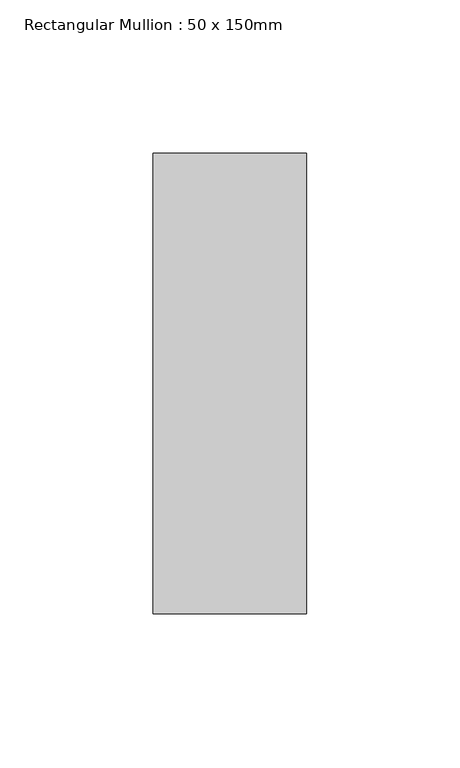
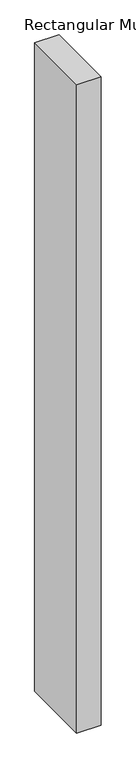
"""IFC4 building model written with IfcOpenShell, lengths in millimetres: member geometry, Rectangular Mullion : 50 x 150mm."""

import ifcopenshell
import ifcopenshell.guid

model = None  # the IFC model being written
_history = None  # IfcOwnerHistory: only IFC2X3 demands one
_inside = {}  # id of a spatial element -> (the spatial element, [elements in it])
_under = {}  # id of a project, library or spatial element -> (it, [spatial elements below it])
_declared = {}  # id of a project -> (the project, [libraries it declares])
_typed = {}  # id of a type object -> (the type object, [elements of that type])
_made_of = {}  # id of a material, layer set ... -> (it, [elements and type objects made of it])


def new_model(schema):
    """Start an empty IFC model of exactly this schema.

    Asked for "IFC4X3", IfcOpenShell would pick the latest addendum, in which some entities
    have other attributes; the version numbers below select the first issue.
    IFC2X3 requires an IfcOwnerHistory on every rooted entity: one is made here for all.
    """
    global model, _history
    if schema == "IFC4X3":
        model = ifcopenshell.file(schema_version=(4, 3, 0, 0))
    else:
        model = ifcopenshell.file(schema=schema)
    _inside.clear()
    _under.clear()
    _declared.clear()
    _typed.clear()
    _made_of.clear()
    _history = None
    if model.schema == "IFC2X3":
        org = make("IfcOrganization", Name="unknown")
        user = make(
            "IfcPersonAndOrganization",
            ThePerson=make("IfcPerson", FamilyName="unknown"),
            TheOrganization=org,
        )
        app = make(
            "IfcApplication",
            ApplicationDeveloper=org,
            Version="unknown",
            ApplicationFullName="unknown",
            ApplicationIdentifier="unknown",
        )
        _history = make(
            "IfcOwnerHistory",
            OwningUser=user,
            OwningApplication=app,
            ChangeAction="ADDED",
            CreationDate=0,
        )
    return model


def make(cls, **values):
    """One entity of the class cls with the attributes given. An attribute that is None is left unset."""
    return model.create_entity(
        cls, **{name: value for name, value in values.items() if value is not None}
    )


def rooted(cls, **values):
    """An entity with a GlobalId (a new one), such as an element, a storey or a relation."""
    return make(cls, GlobalId=ifcopenshell.guid.new(), OwnerHistory=_history, **values)


def si_unit(unit_type, name, prefix=None):
    """IfcSIUnit, for example si_unit("LENGTHUNIT", "METRE", prefix="MILLI")."""
    return make("IfcSIUnit", UnitType=unit_type, Prefix=prefix, Name=name)


def assignment(units):
    """IfcUnitAssignment: the units of a project."""
    return None if units is None else make("IfcUnitAssignment", Units=units)


def point(xyz):
    """IfcCartesianPoint."""
    return None if xyz is None else make("IfcCartesianPoint", Coordinates=xyz)


def direction(xyz):
    """IfcDirection."""
    return None if xyz is None else make("IfcDirection", DirectionRatios=xyz)


def frame(location, z_axis=None, x_axis=None):
    """IfcAxis2Placement3D, a coordinate frame: its origin and axes. An axis left out is left unset."""
    return make(
        "IfcAxis2Placement3D",
        Location=point(location),
        Axis=direction(z_axis),
        RefDirection=direction(x_axis),
    )


def origin():
    """The frame at (0, 0, 0) with its axes left unset."""
    return frame((0.0, 0.0, 0.0))


def place(relative_to, where):
    """IfcLocalPlacement: puts the frame where relative to a parent placement (None: the world)."""
    return make(
        "IfcLocalPlacement", PlacementRelTo=relative_to, RelativePlacement=where
    )


def context(
    kind, dimensions, precision=None, world=None, true_north=None, identifier=None
):
    """IfcGeometricRepresentationContext, for example the 3D "Model" context."""
    return make(
        "IfcGeometricRepresentationContext",
        ContextIdentifier=identifier,
        ContextType=kind,
        CoordinateSpaceDimension=dimensions,
        Precision=precision,
        WorldCoordinateSystem=world,
        TrueNorth=true_north,
    )


def project(units=None, contexts=None):
    """IfcProject with its units and contexts."""
    return rooted(
        "IfcProject",
        Name="project",
        RepresentationContexts=contexts,
        UnitsInContext=assignment(units),
    )


def spatial(cls, under=None, at=None, **own):
    """A site, building, storey or space (cls), placed at a placement, below another one or the project."""
    s = rooted(cls, ObjectPlacement=at, **own)
    if under is not None:
        _under.setdefault(under.id(), (under, []))[1].append(s)
    return s


def polyline(points):
    """IfcPolyline through the points."""
    return make("IfcPolyline", Points=[point(p) for p in points])


def outline(outer, holes=None, kind="AREA"):
    """IfcArbitraryClosedProfileDef: a profile drawn as a closed curve; with holes, ...WithVoids."""
    if holes is None:
        return make("IfcArbitraryClosedProfileDef", ProfileType=kind, OuterCurve=outer)
    return make(
        "IfcArbitraryProfileDefWithVoids",
        ProfileType=kind,
        OuterCurve=outer,
        InnerCurves=holes,
    )


def extrude(swept, where, along, depth):
    """IfcExtrudedAreaSolid: the profile swept, set in the frame where, extruded along a direction by depth."""
    return make(
        "IfcExtrudedAreaSolid",
        SweptArea=swept,
        Position=where,
        ExtrudedDirection=direction(along),
        Depth=depth,
    )


def shape(context_of_items, identifier, shape_type, items):
    """IfcShapeRepresentation: the items that make up one representation, for example the "Body"."""
    return make(
        "IfcShapeRepresentation",
        ContextOfItems=context_of_items,
        RepresentationIdentifier=identifier,
        RepresentationType=shape_type,
        Items=items,
    )


def source(mapping_origin, context_of_items, identifier, shape_type, items):
    """IfcRepresentationMap: a shape defined once, which mapped items show again and again."""
    return make(
        "IfcRepresentationMap",
        MappingOrigin=mapping_origin,
        MappedRepresentation=shape(context_of_items, identifier, shape_type, items),
    )


def transform(
    local_origin,
    x_axis=None,
    y_axis=None,
    z_axis=None,
    scale=None,
    scale2=None,
    scale3=None,
    uniform=True,
):
    """IfcCartesianTransformationOperator3D, or its non-uniform kind. x_axis, y_axis, z_axis: its Axis1, 2, 3."""
    if uniform:
        return make(
            "IfcCartesianTransformationOperator3D",
            Axis1=direction(x_axis),
            Axis2=direction(y_axis),
            LocalOrigin=point(local_origin),
            Scale=scale,
            Axis3=direction(z_axis),
        )
    return make(
        "IfcCartesianTransformationOperator3DnonUniform",
        Axis1=direction(x_axis),
        Axis2=direction(y_axis),
        LocalOrigin=point(local_origin),
        Scale=scale,
        Axis3=direction(z_axis),
        Scale2=scale2,
        Scale3=scale3,
    )


def mapped(mapping_source, mapping_target):
    """IfcMappedItem: shows the shape of a source again, moved by a transform."""
    return make(
        "IfcMappedItem", MappingSource=mapping_source, MappingTarget=mapping_target
    )


def made_of(thing, what):
    """Note that an element or type object is made of a material, layer set ...; save() writes the relation."""
    if what is not None:
        _made_of.setdefault(what.id(), (what, []))[1].append(thing)
    return thing


def element(
    cls,
    number,
    at=None,
    inside=None,
    cuts=None,
    type_object=None,
    material=None,
    context=None,
    identifier="Body",
    shape_type=None,
    held_by="IfcProductDefinitionShape",
    body=None,
    shapes=None,
    **own,
):
    """One element of the class cls, such as IfcWall. Its Tag is "e" and its number.

    at: its placement. inside: the storey or other place that contains it. cuts: it is an
    opening in that element (IfcRelVoidsElement). A single representation is given by context,
    identifier, shape_type and body (its items); several are given by shapes. held_by: the class
    of the entity that holds the representations. save() writes the other relations.
    """
    e = rooted(cls, Tag="e%d" % number, ObjectPlacement=at, **own)
    if body is not None:
        shapes = [shape(context, identifier, shape_type, body)]
    if shapes is not None:
        e.Representation = make(held_by, Representations=shapes)
    if inside is not None:
        _inside.setdefault(inside.id(), (inside, []))[1].append(e)
    if cuts is not None:
        rooted(
            "IfcRelVoidsElement", RelatingBuildingElement=cuts, RelatedOpeningElement=e
        )
    if type_object is not None:
        _typed.setdefault(type_object.id(), (type_object, []))[1].append(e)
    return made_of(e, material)


def aggregate(whole, parts):
    """IfcRelAggregates: a whole, such as a stair, and the parts it consists of."""
    return rooted("IfcRelAggregates", RelatingObject=whole, RelatedObjects=parts)


def save(model, path):
    """Write the relations noted so far, then the file.

    IfcRelAggregates (storeys below a building ...), IfcRelContainedInSpatialStructure (elements
    in a storey), IfcRelDefinesByType, IfcRelAssociatesMaterial and IfcRelDeclares: one each for
    every whole, place, type object, material and project.
    """
    for whole, parts in _under.values():
        aggregate(whole, parts)
    for where, things in _inside.values():
        rooted(
            "IfcRelContainedInSpatialStructure",
            RelatedElements=things,
            RelatingStructure=where,
        )
    for kind, things in _typed.values():
        rooted("IfcRelDefinesByType", RelatedObjects=things, RelatingType=kind)
    for what, things in _made_of.values():
        rooted("IfcRelAssociatesMaterial", RelatedObjects=things, RelatingMaterial=what)
    for by, libraries in _declared.values():
        rooted("IfcRelDeclares", RelatingContext=by, RelatedDefinitions=libraries)
    model.write(path)


def rectangular_mullion_50_x_150mm_38aeded4(model_context):
    return source(origin(), model_context, "Body", "SweptSolid", [
        extrude(outline(polyline([(25.0, 75.0), (25.0, -75.0), (-25.0, -75.0), (-25.0, 75.0), (25.0, 75.0)])), frame((0.0, 0.0, -1411.6666667), z_axis=(0.0, 0.0, 1.0), x_axis=(1.0, 0.0, 0.0)), (0.0, 0.0, 1.0), 1411.6666667),
    ])


if __name__ == "__main__":
    model = new_model("IFC4")
    model_context = context("Model", 3, world=origin())
    ifc_project = project(units=[si_unit("LENGTHUNIT", "METRE", prefix="MILLI")], contexts=[model_context])
    site = spatial("IfcSite", under=ifc_project)
    building = spatial("IfcBuilding", under=site)
    placement = place(None, origin())
    rectangular_mullion_50_x_150mm_shape = rectangular_mullion_50_x_150mm_38aeded4(model_context)
    element("IfcMember", 1, ObjectType="Rectangular Mullion : 50 x 150mm", at=placement, inside=building, context=model_context, shape_type="MappedRepresentation", body=[
        mapped(rectangular_mullion_50_x_150mm_shape, transform((0.0, 0.0, 0.0), x_axis=(1.0, 0.0, 0.0), y_axis=(0.0, 1.0, 0.0), z_axis=(0.0, 0.0, 1.0))),
    ])
    save(model, "model.ifc")
